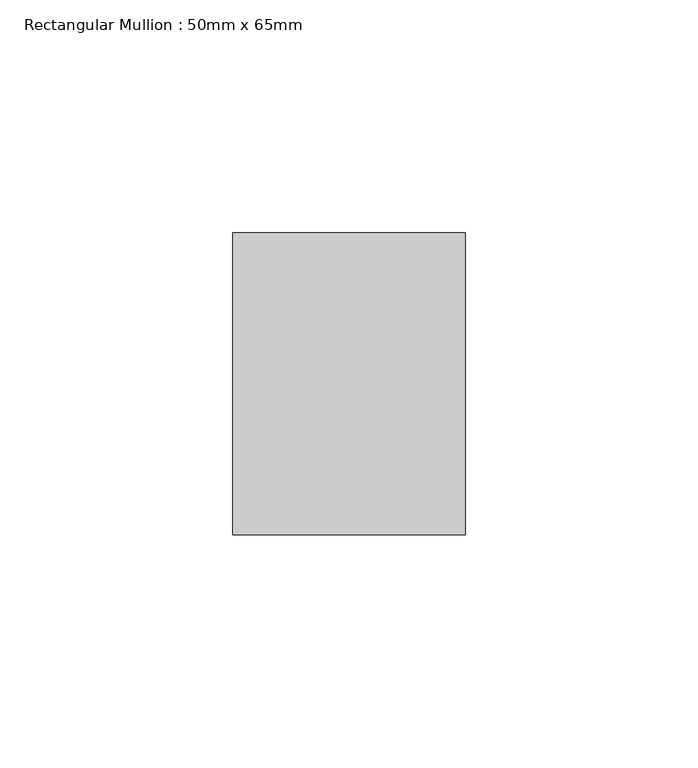
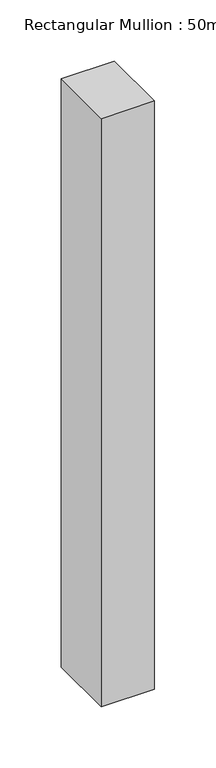
"""IFC4 building model written with IfcOpenShell, lengths in millimetres: member geometry, Rectangular Mullion : 50mm x 65mm."""

from ifc_helpers import new_model, si_unit, frame, origin, place, context, project, spatial, polyline, outline, extrude, source, transform, mapped, element, save


def rectangular_mullion_50mm_x_65mm_981b2a50(model_context):
    return source(origin(), model_context, "Body", "SweptSolid", [
        extrude(outline(polyline([(25.0, 32.5), (25.0, -32.5), (-25.0, -32.5), (-25.0, 32.5), (25.0, 32.5)])), frame((0.0, 0.0, -585.2034556), z_axis=(0.0, 0.0, 1.0), x_axis=(1.0, 0.0, 0.0)), (0.0, 0.0, 1.0), 585.2034556),
    ])


if __name__ == "__main__":
    model = new_model("IFC4")
    model_context = context("Model", 3, world=origin())
    ifc_project = project(units=[si_unit("LENGTHUNIT", "METRE", prefix="MILLI")], contexts=[model_context])
    site = spatial("IfcSite", under=ifc_project)
    building = spatial("IfcBuilding", under=site)
    placement = place(None, origin())
    rectangular_mullion_50mm_x_65mm_shape = rectangular_mullion_50mm_x_65mm_981b2a50(model_context)
    element("IfcMember", 1, ObjectType="Rectangular Mullion : 50mm x 65mm", at=placement, inside=building, context=model_context, shape_type="MappedRepresentation", body=[
        mapped(rectangular_mullion_50mm_x_65mm_shape, transform((0.0, 0.0, 0.0), x_axis=(1.0, 0.0, 0.0), y_axis=(0.0, 1.0, 0.0), z_axis=(0.0, 0.0, 1.0))),
    ])
    save(model, "model.ifc")
